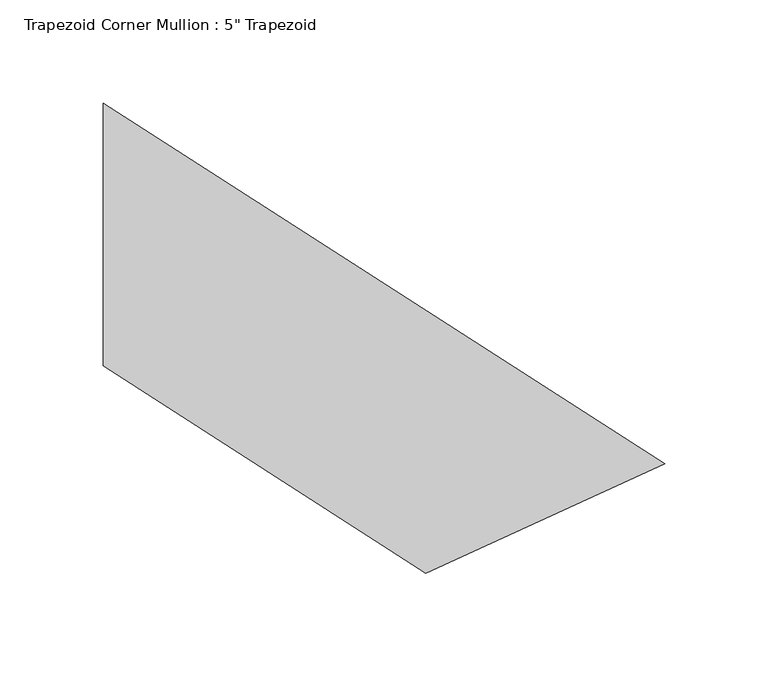
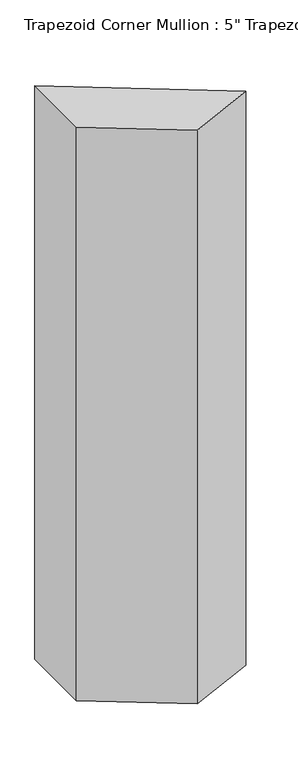
"""IFC4 building model written with IfcOpenShell, lengths in millimetres: member geometry."""

import ifcopenshell
import ifcopenshell.guid

model = None  # the IFC model being written
_history = None  # IfcOwnerHistory: only IFC2X3 demands one
_inside = {}  # id of a spatial element -> (the spatial element, [elements in it])
_under = {}  # id of a project, library or spatial element -> (it, [spatial elements below it])
_declared = {}  # id of a project -> (the project, [libraries it declares])
_typed = {}  # id of a type object -> (the type object, [elements of that type])
_made_of = {}  # id of a material, layer set ... -> (it, [elements and type objects made of it])


def new_model(schema):
    """Start an empty IFC model of exactly this schema.

    Asked for "IFC4X3", IfcOpenShell would pick the latest addendum, in which some entities
    have other attributes; the version numbers below select the first issue.
    IFC2X3 requires an IfcOwnerHistory on every rooted entity: one is made here for all.
    """
    global model, _history
    if schema == "IFC4X3":
        model = ifcopenshell.file(schema_version=(4, 3, 0, 0))
    else:
        model = ifcopenshell.file(schema=schema)
    _inside.clear()
    _under.clear()
    _declared.clear()
    _typed.clear()
    _made_of.clear()
    _history = None
    if model.schema == "IFC2X3":
        org = make("IfcOrganization", Name="unknown")
        user = make(
            "IfcPersonAndOrganization",
            ThePerson=make("IfcPerson", FamilyName="unknown"),
            TheOrganization=org,
        )
        app = make(
            "IfcApplication",
            ApplicationDeveloper=org,
            Version="unknown",
            ApplicationFullName="unknown",
            ApplicationIdentifier="unknown",
        )
        _history = make(
            "IfcOwnerHistory",
            OwningUser=user,
            OwningApplication=app,
            ChangeAction="ADDED",
            CreationDate=0,
        )
    return model


def make(cls, **values):
    """One entity of the class cls with the attributes given. An attribute that is None is left unset."""
    return model.create_entity(
        cls, **{name: value for name, value in values.items() if value is not None}
    )


def rooted(cls, **values):
    """An entity with a GlobalId (a new one), such as an element, a storey or a relation."""
    return make(cls, GlobalId=ifcopenshell.guid.new(), OwnerHistory=_history, **values)


def si_unit(unit_type, name, prefix=None):
    """IfcSIUnit, for example si_unit("LENGTHUNIT", "METRE", prefix="MILLI")."""
    return make("IfcSIUnit", UnitType=unit_type, Prefix=prefix, Name=name)


def assignment(units):
    """IfcUnitAssignment: the units of a project."""
    return None if units is None else make("IfcUnitAssignment", Units=units)


def point(xyz):
    """IfcCartesianPoint."""
    return None if xyz is None else make("IfcCartesianPoint", Coordinates=xyz)


def direction(xyz):
    """IfcDirection."""
    return None if xyz is None else make("IfcDirection", DirectionRatios=xyz)


def frame(location, z_axis=None, x_axis=None):
    """IfcAxis2Placement3D, a coordinate frame: its origin and axes. An axis left out is left unset."""
    return make(
        "IfcAxis2Placement3D",
        Location=point(location),
        Axis=direction(z_axis),
        RefDirection=direction(x_axis),
    )


def origin():
    """The frame at (0, 0, 0) with its axes left unset."""
    return frame((0.0, 0.0, 0.0))


def place(relative_to, where):
    """IfcLocalPlacement: puts the frame where relative to a parent placement (None: the world)."""
    return make(
        "IfcLocalPlacement", PlacementRelTo=relative_to, RelativePlacement=where
    )


def context(
    kind, dimensions, precision=None, world=None, true_north=None, identifier=None
):
    """IfcGeometricRepresentationContext, for example the 3D "Model" context."""
    return make(
        "IfcGeometricRepresentationContext",
        ContextIdentifier=identifier,
        ContextType=kind,
        CoordinateSpaceDimension=dimensions,
        Precision=precision,
        WorldCoordinateSystem=world,
        TrueNorth=true_north,
    )


def project(units=None, contexts=None):
    """IfcProject with its units and contexts."""
    return rooted(
        "IfcProject",
        Name="project",
        RepresentationContexts=contexts,
        UnitsInContext=assignment(units),
    )


def spatial(cls, under=None, at=None, **own):
    """A site, building, storey or space (cls), placed at a placement, below another one or the project."""
    s = rooted(cls, ObjectPlacement=at, **own)
    if under is not None:
        _under.setdefault(under.id(), (under, []))[1].append(s)
    return s


def polyline(points):
    """IfcPolyline through the points."""
    return make("IfcPolyline", Points=[point(p) for p in points])


def outline(outer, holes=None, kind="AREA"):
    """IfcArbitraryClosedProfileDef: a profile drawn as a closed curve; with holes, ...WithVoids."""
    if holes is None:
        return make("IfcArbitraryClosedProfileDef", ProfileType=kind, OuterCurve=outer)
    return make(
        "IfcArbitraryProfileDefWithVoids",
        ProfileType=kind,
        OuterCurve=outer,
        InnerCurves=holes,
    )


def extrude(swept, where, along, depth):
    """IfcExtrudedAreaSolid: the profile swept, set in the frame where, extruded along a direction by depth."""
    return make(
        "IfcExtrudedAreaSolid",
        SweptArea=swept,
        Position=where,
        ExtrudedDirection=direction(along),
        Depth=depth,
    )


def shape(context_of_items, identifier, shape_type, items):
    """IfcShapeRepresentation: the items that make up one representation, for example the "Body"."""
    return make(
        "IfcShapeRepresentation",
        ContextOfItems=context_of_items,
        RepresentationIdentifier=identifier,
        RepresentationType=shape_type,
        Items=items,
    )


def source(mapping_origin, context_of_items, identifier, shape_type, items):
    """IfcRepresentationMap: a shape defined once, which mapped items show again and again."""
    return make(
        "IfcRepresentationMap",
        MappingOrigin=mapping_origin,
        MappedRepresentation=shape(context_of_items, identifier, shape_type, items),
    )


def transform(
    local_origin,
    x_axis=None,
    y_axis=None,
    z_axis=None,
    scale=None,
    scale2=None,
    scale3=None,
    uniform=True,
):
    """IfcCartesianTransformationOperator3D, or its non-uniform kind. x_axis, y_axis, z_axis: its Axis1, 2, 3."""
    if uniform:
        return make(
            "IfcCartesianTransformationOperator3D",
            Axis1=direction(x_axis),
            Axis2=direction(y_axis),
            LocalOrigin=point(local_origin),
            Scale=scale,
            Axis3=direction(z_axis),
        )
    return make(
        "IfcCartesianTransformationOperator3DnonUniform",
        Axis1=direction(x_axis),
        Axis2=direction(y_axis),
        LocalOrigin=point(local_origin),
        Scale=scale,
        Axis3=direction(z_axis),
        Scale2=scale2,
        Scale3=scale3,
    )


def mapped(mapping_source, mapping_target):
    """IfcMappedItem: shows the shape of a source again, moved by a transform."""
    return make(
        "IfcMappedItem", MappingSource=mapping_source, MappingTarget=mapping_target
    )


def made_of(thing, what):
    """Note that an element or type object is made of a material, layer set ...; save() writes the relation."""
    if what is not None:
        _made_of.setdefault(what.id(), (what, []))[1].append(thing)
    return thing


def element(
    cls,
    number,
    at=None,
    inside=None,
    cuts=None,
    type_object=None,
    material=None,
    context=None,
    identifier="Body",
    shape_type=None,
    held_by="IfcProductDefinitionShape",
    body=None,
    shapes=None,
    **own,
):
    """One element of the class cls, such as IfcWall. Its Tag is "e" and its number.

    at: its placement. inside: the storey or other place that contains it. cuts: it is an
    opening in that element (IfcRelVoidsElement). A single representation is given by context,
    identifier, shape_type and body (its items); several are given by shapes. held_by: the class
    of the entity that holds the representations. save() writes the other relations.
    """
    e = rooted(cls, Tag="e%d" % number, ObjectPlacement=at, **own)
    if body is not None:
        shapes = [shape(context, identifier, shape_type, body)]
    if shapes is not None:
        e.Representation = make(held_by, Representations=shapes)
    if inside is not None:
        _inside.setdefault(inside.id(), (inside, []))[1].append(e)
    if cuts is not None:
        rooted(
            "IfcRelVoidsElement", RelatingBuildingElement=cuts, RelatedOpeningElement=e
        )
    if type_object is not None:
        _typed.setdefault(type_object.id(), (type_object, []))[1].append(e)
    return made_of(e, material)


def aggregate(whole, parts):
    """IfcRelAggregates: a whole, such as a stair, and the parts it consists of."""
    return rooted("IfcRelAggregates", RelatingObject=whole, RelatedObjects=parts)


def save(model, path):
    """Write the relations noted so far, then the file.

    IfcRelAggregates (storeys below a building ...), IfcRelContainedInSpatialStructure (elements
    in a storey), IfcRelDefinesByType, IfcRelAssociatesMaterial and IfcRelDeclares: one each for
    every whole, place, type object, material and project.
    """
    for whole, parts in _under.values():
        aggregate(whole, parts)
    for where, things in _inside.values():
        rooted(
            "IfcRelContainedInSpatialStructure",
            RelatedElements=things,
            RelatingStructure=where,
        )
    for kind, things in _typed.values():
        rooted("IfcRelDefinesByType", RelatedObjects=things, RelatingType=kind)
    for what, things in _made_of.values():
        rooted("IfcRelAssociatesMaterial", RelatedObjects=things, RelatingMaterial=what)
    for by, libraries in _declared.values():
        rooted("IfcRelDeclares", RelatingContext=by, RelatedDefinitions=libraries)
    model.write(path)


def member_1ee1f26f(model_context):
    return source(origin(), model_context, "Body", "SweptSolid", [
        extrude(outline(polyline([(120.5478383, -110.8114616), (5.0670651, -163.6621098), (-150.9261784, -63.5), (-150.9261784, 63.5), (120.5478383, -110.8114616)])), frame((0.0, 0.0, -1071.3448776), z_axis=(0.0, 0.0, 1.0), x_axis=(1.0, 0.0, 0.0)), (0.0, 0.0, 1.0), 1071.3448776),
    ])


if __name__ == "__main__":
    model = new_model("IFC4")
    model_context = context("Model", 3, world=origin())
    ifc_project = project(units=[si_unit("LENGTHUNIT", "METRE", prefix="MILLI")], contexts=[model_context])
    site = spatial("IfcSite", under=ifc_project)
    building = spatial("IfcBuilding", under=site)
    placement = place(None, origin())
    member_shape = member_1ee1f26f(model_context)
    element("IfcMember", 1, ObjectType="Trapezoid Corner Mullion : 5\" Trapezoid", at=placement, inside=building, context=model_context, shape_type="MappedRepresentation", body=[
        mapped(member_shape, transform((0.0, 0.0, 0.0), x_axis=(1.0, 0.0, 0.0), y_axis=(0.0, 1.0, 0.0), z_axis=(0.0, 0.0, 1.0))),
    ])
    save(model, "model.ifc")
